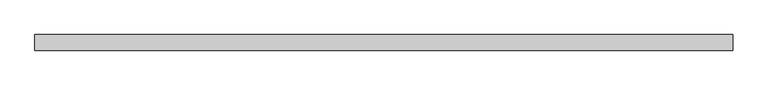
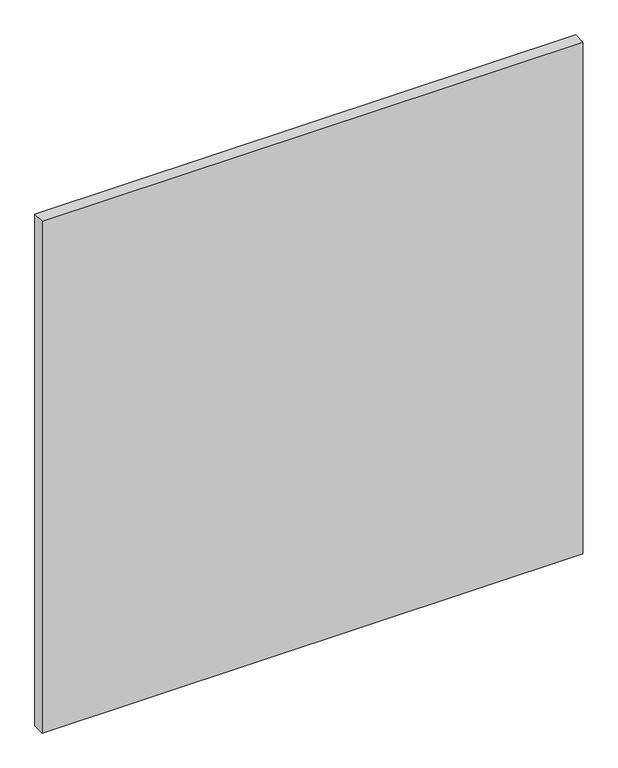
"""IFC4 building model written with IfcOpenShell, lengths in millimetres: plate geometry."""

from ifc_helpers import new_model, si_unit, origin, origin_with_axes, place, context, project, spatial, polyline, outline, extrude, source, transform, mapped, element, save


def plate_988d8349(model_context):
    return source(origin(), model_context, "Body", "SweptSolid", [
        extrude(outline(polyline([(689.371875, 15.875), (689.371875, -15.875), (-689.371875, -15.875), (-689.371875, 15.875), (689.371875, 15.875)])), origin_with_axes(), (0.0, 0.0, 1.0), 1378.74375),
    ])


if __name__ == "__main__":
    model = new_model("IFC4")
    model_context = context("Model", 3, world=origin())
    ifc_project = project(units=[si_unit("LENGTHUNIT", "METRE", prefix="MILLI")], contexts=[model_context])
    site = spatial("IfcSite", under=ifc_project)
    building = spatial("IfcBuilding", under=site)
    placement = place(None, origin())
    plate_shape = plate_988d8349(model_context)
    element("IfcPlate", 1, at=placement, inside=building, context=model_context, shape_type="MappedRepresentation", body=[
        mapped(plate_shape, transform((0.0, 0.0, 0.0), x_axis=(1.0, 0.0, 0.0), y_axis=(0.0, 1.0, 0.0), z_axis=(0.0, 0.0, 1.0))),
    ])
    save(model, "model.ifc")
